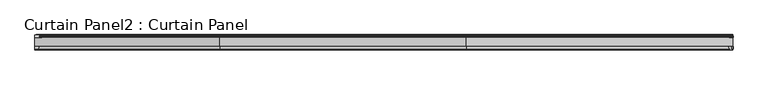
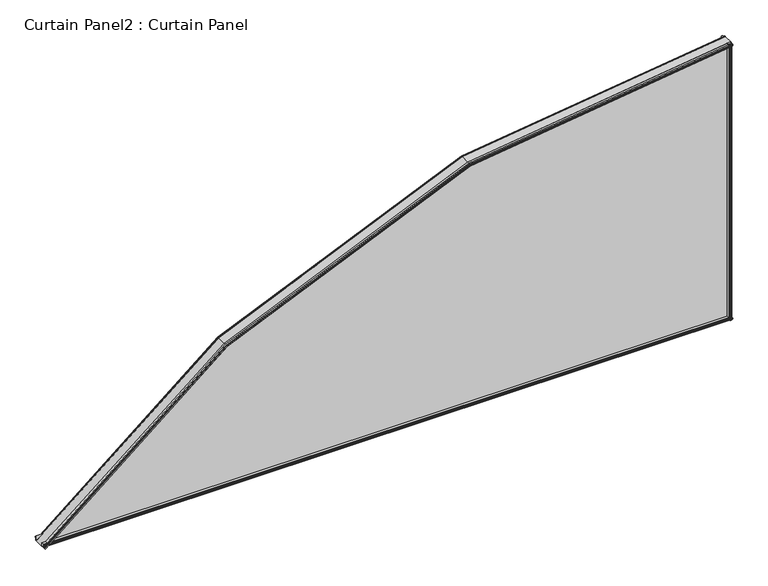
"""IFC4 building model written with IfcOpenShell, lengths in millimetres: plate geometry, Curtain Panel2 : Curtain Panel."""

from ifc_helpers import new_model, si_unit, point, frame, frame_2d, origin, place, context, project, spatial, polyline, circle_curve, ellipse_curve, trimmed, segment, composite_curve, outline, extrude, faceted_brep, source, transform, mapped, element, save
from ifc_brep_helpers import plane_surface, cylinder_surface, advanced_brep


def curtain_panel2_curtain_panel_ba7d519c(model_context):
    return source(origin(), model_context, "Body", "SolidModel", [
        faceted_brep([(-11874.9849482, 12774.844983, -412.5040723), (-11874.9849482, 12775.657783, -412.5040723), (-11873.9975567, 12775.403783, -413.6980984), (-11874.3051049, 12778.121583, -413.3261887), (-11877.0593045, 12778.121583, -409.995609), (-11877.0593045, 12784.852583, -409.995609), (-11869.1909214, 12784.852583, -419.5106334), (-11869.95087, 12778.121583, -418.5916479), (-11872.6864302, 12778.121583, -415.2836085), (-11872.9939784, 12775.403783, -414.9116987), (-11872.0065868, 12775.657783, -416.1057248), (-11872.0065868, 12774.844983, -416.1057248), (-11873.4957675, 12774.438583, -414.3048986), (-9637.9561612, 12774.844983, 536.3371513), (-9637.6475569, 12774.438583, 534.0208185), (-9637.3389525, 12774.844983, 531.7044857), (-9637.3389525, 12775.657783, 531.7044857), (-9637.5435706, 12775.403783, 533.240315), (-9637.4798371, 12778.121583, 532.761942), (-9636.9129444, 12778.121583, 528.5069393), (-9636.7554595, 12784.852583, 527.324884), (-9638.3860321, 12784.852583, 539.5636901), (-9638.3860321, 12778.121583, 539.5636901), (-9637.8152766, 12778.121583, 535.279695), (-9637.7515431, 12775.403783, 534.8013219), (-9637.9561612, 12775.657783, 536.3371513), (-11282.9257922, 12774.844983, 77.0951236), (-11282.9257922, 12775.657783, 77.0951236), (-11282.10621, 12775.403783, 75.7623287), (-11282.3614897, 12778.121583, 76.1774616), (-10491.3975159, 12778.121583, 421.557178), (-10492.5703476, 12778.121583, 425.7609587), (-11284.6476069, 12778.121583, 79.8951187), (-11284.6476069, 12784.852583, 79.8951187), (-10492.5703476, 12784.852583, 425.7609587), (-10489.219723, 12784.852583, 413.7513146), (-11278.1164732, 12784.852583, 69.2742652), (-11278.7472669, 12778.121583, 70.3000545), (-10489.5433349, 12778.121583, 414.9112369), (-10490.7082293, 12778.121583, 419.0865679), (-11281.0179125, 12778.121583, 73.9925519), (-11281.2731921, 12775.403783, 74.4076847), (-11280.45361, 12775.657783, 73.0748898), (-11280.45361, 12774.844983, 73.0748898), (-11281.6897011, 12774.438583, 75.0850067), (-10491.6870163, 12774.844983, 422.5948342), (-10491.6870163, 12775.657783, 422.5948342), (-10491.2665515, 12775.403783, 421.0877621), (-10490.8391938, 12775.403783, 419.5559838), (-10490.4187289, 12775.657783, 418.0489117), (-10490.4187289, 12774.844983, 418.0489117), (-10491.0528726, 12774.438583, 420.321873)], [[[0, 1, 2, 3, 4, 5, 6, 7, 8, 9, 10, 11, 12]], [[13, 14, 15, 16, 17, 18, 19, 20, 21, 22, 23, 24, 25]], [[1, 0, 26, 27]], [[2, 1, 27, 28]], [[3, 2, 28, 29]], [[4, 3, 29, 30, 23, 22, 31, 32]], [[5, 4, 32, 33]], [[6, 5, 33, 34, 21, 20, 35, 36]], [[7, 6, 36, 37]], [[8, 7, 37, 38, 19, 18, 39, 40]], [[9, 8, 40, 41]], [[10, 9, 41, 42]], [[11, 10, 42, 43]], [[12, 11, 43, 44]], [[0, 12, 44, 26]], [[27, 26, 45, 46]], [[28, 27, 46, 47]], [[29, 28, 47, 30]], [[33, 32, 31, 34]], [[37, 36, 35, 38]], [[41, 40, 39, 48]], [[42, 41, 48, 49]], [[43, 42, 49, 50]], [[44, 43, 50, 51]], [[26, 44, 51, 45]], [[46, 45, 13, 25]], [[47, 46, 25, 24]], [[30, 47, 24, 23]], [[34, 31, 22, 21]], [[38, 35, 20, 19]], [[48, 39, 18, 17]], [[49, 48, 17, 16]], [[50, 49, 16, 15]], [[51, 50, 15, 14]], [[45, 51, 14, 13]]]),
        advanced_brep(
        [(-11870.4728926, 12815.002383, -417.96038), (-11876.5591094, 12815.002383, -410.6004816), (-11876.7899772, 12816.7171485, -410.3212993), (-11876.8152382, 12818.0373518, -410.2907518), (-11876.5591094, 12819.752183, -410.6004816), (-11874.3253383, 12819.752183, -413.3017209), (-11874.0177901, 12822.469983, -413.6736307), (-11875.0051817, 12822.215983, -412.4796046), (-11875.0051817, 12823.028783, -412.4796046), (-11873.516001, 12823.435183, -414.2804308), (-11872.0268203, 12823.028783, -416.081257), (-11872.0268203, 12822.215983, -416.081257), (-11873.0142118, 12822.469983, -414.887231), (-11872.7066636, 12819.752183, -415.2591407), (-11870.4728926, 12819.752183, -417.96038), (-11870.2167637, 12818.0373518, -418.2701098), (-11870.2420247, 12816.7171485, -418.2395624), (-9637.0211236, 12815.002383, 529.3189147), (-9636.9732806, 12816.7171485, 528.9598133), (-9636.9680458, 12818.0373518, 528.9205213), (-9637.0211236, 12819.752183, 529.3189147), (-9637.4840301, 12819.752183, 532.7934139), (-9637.5477636, 12822.469983, 533.271787), (-9637.3431455, 12822.215983, 531.7359576), (-9637.3431455, 12823.028783, 531.7359576), (-9637.6517499, 12823.435183, 534.0522904), (-9637.9603542, 12823.028783, 536.3686232), (-9637.9603542, 12822.215983, 536.3686232), (-9637.7557361, 12822.469983, 534.8327938), (-9637.8194696, 12819.752183, 535.3111669), (-9638.2823762, 12819.752183, 538.7856661), (-9638.335454, 12818.0373518, 539.1840594), (-9638.3302191, 12816.7171485, 539.1447675), (-9638.2823762, 12815.002383, 538.7856661), (-11279.1805706, 12815.002383, 71.0046879), (-10489.7656299, 12815.002383, 415.7080086), (-10492.3573476, 12815.002383, 424.9975025), (-11284.2324211, 12815.002383, 79.2199483), (-11284.4240524, 12816.7171485, 79.531577), (-11284.4450203, 12818.0373518, 79.5656746), (-11284.2324211, 12819.752183, 79.2199483), (-10492.3573476, 12819.752183, 424.9975025), (-10491.406132, 12819.752183, 421.5880606), (-11282.3782844, 12819.752183, 76.2047729), (-11282.1230048, 12822.469983, 75.7896401), (-11282.9425869, 12822.215983, 77.122435), (-11282.9425869, 12823.028783, 77.122435), (-11281.7064958, 12823.435183, 75.1123181), (-11280.4704047, 12823.028783, 73.1022012), (-11280.4704047, 12822.215983, 73.1022012), (-11281.2899869, 12822.469983, 74.4349961), (-11281.0347072, 12819.752183, 74.0198633), (-10490.7168454, 12819.752183, 419.1174506), (-10489.7656299, 12819.752183, 415.7080086), (-11279.1805706, 12819.752183, 71.0046879), (-11278.9679714, 12818.0373518, 70.6589616), (-11278.9889392, 12816.7171485, 70.6930592), (-10492.455659, 12816.7171485, 425.34988), (-10492.4664159, 12818.0373518, 425.3884363), (-10491.2751676, 12822.469983, 421.1186447), (-10491.6956324, 12822.215983, 422.6257169), (-10491.6956324, 12823.028783, 422.6257169), (-10491.0614887, 12823.435183, 420.3527556), (-10490.427345, 12823.028783, 418.0797943), (-10490.427345, 12822.215983, 418.0797943), (-10490.8478099, 12822.469983, 419.5868665), (-10489.6565615, 12818.0373518, 415.3170749), (-10489.6673185, 12816.7171485, 415.3556312)],
        [
            (0, 1),
            (1, 2),
            (2, 3, circle_curve(frame((-11876.8019106, 12817.377283, -410.3068686), z_axis=(-0.7706377184790545, 0.0, -0.637273494551121), x_axis=(-0.020181198319110506, 0.9994984420496655, 0.02440458101865708)), 0.6604)),
            (3, 4),
            (4, 5),
            (5, 6),
            (6, 7),
            (7, 8),
            (8, 9),
            (9, 10),
            (10, 11),
            (11, 12),
            (12, 13),
            (13, 14),
            (14, 15),
            (15, 16, circle_curve(frame((-11870.2300914, 12817.377283, -418.253993), z_axis=(-0.7706377184790545, 0.0, -0.637273494551121), x_axis=(-0.01806984096852249, -0.9995979183315228, 0.0218513732899989)), 0.6604)),
            (16, 0),
            (17, 18),
            (18, 19, circle_curve(frame((-9636.9708077, 12817.377283, 528.9412517), z_axis=(0.9912413513303475, 0.0, 0.13206280101825263), x_axis=(-0.003744630574883493, -0.9995979183315228, 0.02810657234783575)), 0.6604)),
            (19, 20),
            (20, 21),
            (21, 22),
            (22, 23),
            (23, 24),
            (24, 25),
            (25, 26),
            (26, 27),
            (27, 28),
            (28, 29),
            (29, 30),
            (30, 31),
            (31, 32, circle_curve(frame((-9638.3326921, 12817.377283, 539.1633291), z_axis=(0.9912413513303476, 0.0, 0.1320628010182526), x_axis=(-0.004182169195350496, 0.9994984420496655, 0.031390664234976516)), 0.6604)),
            (32, 33),
            (33, 17),
            (0, 34),
            (34, 35),
            (35, 17),
            (33, 36),
            (36, 37),
            (37, 1),
            (37, 38),
            (38, 2),
            (38, 39, ellipse_curve(frame((-11284.4339577, 12817.377283, 79.5476848), z_axis=(-0.8518292535740016, 0.0, -0.5238195517118075), x_axis=(0.5238195517118064, 0.0, -0.8518292535740026)), 0.6668901, 0.6604)),
            (39, 3),
            (39, 40),
            (40, 4),
            (40, 41),
            (41, 30),
            (29, 42),
            (42, 43),
            (43, 5),
            (43, 44),
            (44, 6),
            (44, 45),
            (45, 7),
            (45, 46),
            (46, 8),
            (46, 47),
            (47, 9),
            (47, 48),
            (48, 10),
            (48, 49),
            (49, 11),
            (49, 50),
            (50, 12),
            (50, 51),
            (51, 13),
            (51, 52),
            (52, 21),
            (20, 53),
            (53, 54),
            (54, 14),
            (54, 55),
            (55, 15),
            (55, 56, ellipse_curve(frame((-11278.979034, 12817.377283, 70.6769514), z_axis=(-0.8518292535740016, 0.0, -0.5238195517118076), x_axis=(0.5238195517118066, 0.0, -0.8518292535740023)), 0.6668901, 0.6604)),
            (56, 16),
            (56, 34),
            (36, 57),
            (57, 38),
            (57, 58, ellipse_curve(frame((-10492.4607406, 12817.377283, 425.3680941), z_axis=(-0.9632150690995059, 0.0, -0.2687317075814352), x_axis=(0.26873170758143533, 0.0, -0.9632150690995059)), 0.6668901, 0.6604)),
            (58, 39),
            (58, 41),
            (42, 59),
            (59, 44),
            (59, 60),
            (60, 45),
            (60, 61),
            (61, 46),
            (61, 62),
            (62, 47),
            (62, 63),
            (63, 48),
            (63, 64),
            (64, 49),
            (64, 65),
            (65, 50),
            (65, 52),
            (53, 66),
            (66, 55),
            (66, 67, ellipse_curve(frame((-10489.6622369, 12817.377283, 415.3374171), z_axis=(-0.9632150690995058, 0.0, -0.26873170758143533), x_axis=(0.26873170758143455, 0.0, -0.963215069099506)), 0.6668901, 0.6604)),
            (67, 56),
            (67, 35),
            (32, 57),
            (31, 58),
            (28, 59),
            (27, 60),
            (26, 61),
            (25, 62),
            (24, 63),
            (23, 64),
            (22, 65),
            (19, 66),
            (18, 67),
        ],
        [
            plane_surface(frame((-11877.0593045, 12815.002383, -409.995609), z_axis=(-0.7706377184790545, 0.0, -0.637273494551121), x_axis=(0.0, 1.0, 0.0))),
            plane_surface(frame((-9638.3860321, 12815.002383, 539.5636901), z_axis=(0.9912413513303476, 0.0, 0.13206280101825232), x_axis=(0.0, 1.0, 0.0))),
            plane_surface(frame((-11870.4728926, 12815.002383, -417.96038), z_axis=(0.0, -1.0, 0.0), x_axis=(0.7706377184790546, 0.0, 0.6372734945511209))),
            plane_surface(frame((-11876.5591094, 12815.002383, -410.6004816), z_axis=(-0.6235105080124769, -0.2067049284831673, 0.7539945085601035), x_axis=(0.7706377184790555, 0.0, 0.6372734945511199))),
            cylinder_surface(frame((-11876.8019106, 12817.377283, -410.3068686), z_axis=(-0.7706377184790545, 0.0, -0.637273494551121), x_axis=(-0.020181198319110506, 0.9994984420496655, 0.02440458101865708)), 0.6604),
            plane_surface(frame((-11876.8152382, 12818.0373518, -410.2907518), z_axis=(-0.6204598685875237, 0.22819132278924775, 0.7503054522499797), x_axis=(0.7706377184790545, 0.0, 0.637273494551121))),
            plane_surface(frame((-11876.5591094, 12819.752183, -410.6004816), z_axis=(0.0, 1.0000000000000002, 0.0), x_axis=(0.7706377184790555, 0.0, 0.6372734945511199))),
            plane_surface(frame((-11874.3253383, 12819.752183, -413.3017209), z_axis=(-0.627458034261684, 0.17483511041573996, 0.7587681460145648), x_axis=(0.7706377184790545, 0.0, 0.6372734945511211))),
            plane_surface(frame((-11874.0177901, 12822.469983, -413.6736307), z_axis=(0.10309493682965794, -0.986827665105559, -0.12466993776528362), x_axis=(0.7706377184790563, 0.0, 0.6372734945511189))),
            plane_surface(frame((-11875.0051817, 12822.215983, -412.4796046), z_axis=(-0.6372734945511197, 0.0, 0.7706377184790555), x_axis=(0.7706377184790555, 0.0, 0.6372734945511197))),
            plane_surface(frame((-11875.0051817, 12823.028783, -412.4796046), z_axis=(-0.10919118919377249, 0.9852117548197964, 0.1320419719912838), x_axis=(0.7706377184790555, 0.0, 0.6372734945511197))),
            plane_surface(frame((-11873.516001, 12823.435183, -414.2804308), z_axis=(0.10919118919368864, 0.9852117548198208, -0.13204197199117343), x_axis=(0.7706377184790549, 0.0, 0.6372734945511205))),
            plane_surface(frame((-11872.0268203, 12823.028783, -416.081257), z_axis=(0.6372734945511211, 0.0, -0.7706377184790545), x_axis=(0.7706377184790545, 0.0, 0.6372734945511211))),
            plane_surface(frame((-11872.0268203, 12822.215983, -416.081257), z_axis=(-0.10309493682971121, -0.9868276651055465, 0.12466993776533858), x_axis=(0.7706377184790545, 0.0, 0.6372734945511211))),
            plane_surface(frame((-11873.0142118, 12822.469983, -414.887231), z_axis=(0.6274580342617042, 0.17483511041555383, -0.7587681460145907), x_axis=(0.7706377184790557, 0.0, 0.6372734945511196))),
            plane_surface(frame((-11872.7066636, 12819.752183, -415.2591407), z_axis=(0.0, 1.0, 0.0), x_axis=(0.7706377184790538, 0.0, 0.6372734945511217))),
            plane_surface(frame((-11870.4728926, 12819.752183, -417.96038), z_axis=(0.6204598685875438, 0.22819132278911813, -0.7503054522500024), x_axis=(0.7706377184790547, 0.0, 0.6372734945511208))),
            cylinder_surface(frame((-11870.2300914, 12817.377283, -418.253993), z_axis=(-0.7706377184790545, 0.0, -0.637273494551121), x_axis=(-0.01806984096852249, -0.9995979183315228, 0.0218513732899989)), 0.6604),
            plane_surface(frame((-11870.2420247, 12816.7171485, -418.2395624), z_axis=(0.6235105080124884, -0.2067049284830937, -0.7539945085601142), x_axis=(0.7706377184790534, 0.0, 0.6372734945511225))),
            plane_surface(frame((-11284.2324211, 12815.002383, 79.2199483), z_axis=(-0.39152771572738676, -0.20670492848316804, 0.8966488277793393), x_axis=(0.9164409011895451, 0.0, 0.4001700571343318))),
            cylinder_surface(frame((-11284.4859787, 12817.377283, 79.5249694), z_axis=(-0.916440901189545, 0.0, -0.40017005713433224), x_axis=(-0.012672598740491321, 0.9994984420496655, 0.029021881080557404)), 0.6604),
            plane_surface(frame((-11284.4450203, 12818.0373518, 79.5656746), z_axis=(-0.38961209462684104, 0.228191322789247, 0.8922618090696134), x_axis=(0.9164409011895452, 0.0, 0.40017005713433146))),
            plane_surface(frame((-11282.3782844, 12819.752183, 76.2047729), z_axis=(-0.39400652869888286, 0.1748351104157392, 0.9023256283119598), x_axis=(0.9164409011895451, 0.0, 0.400170057134332))),
            plane_surface(frame((-11282.1230048, 12822.469983, 75.7896401), z_axis=(0.06473752182403822, -0.9868276651055589, -0.14825725159462963), x_axis=(0.9164409011895452, 0.0, 0.4001700571343317))),
            plane_surface(frame((-11282.9425869, 12822.215983, 77.122435), z_axis=(-0.40017005713433057, 0.0, 0.9164409011895457), x_axis=(0.9164409011895457, 0.0, 0.40017005713433057))),
            plane_surface(frame((-11282.9425869, 12823.028783, 77.122435), z_axis=(-0.06856560768938773, 0.9852117548197964, 0.1570240605992676), x_axis=(0.916440901189545, 0.0, 0.40017005713433224))),
            plane_surface(frame((-11281.7064958, 12823.435183, 75.1123181), z_axis=(0.06856560768933594, 0.9852117548198208, -0.15702406059913726), x_axis=(0.9164409011895456, 0.0, 0.40017005713433085))),
            plane_surface(frame((-11280.4704047, 12823.028783, 73.1022012), z_axis=(0.4001700571343322, 0.0, -0.916440901189545), x_axis=(0.916440901189545, 0.0, 0.4001700571343322))),
            plane_surface(frame((-11280.4704047, 12822.215983, 73.1022012), z_axis=(-0.06473752182407272, -0.9868276651055466, 0.148257251594696), x_axis=(0.916440901189545, 0.0, 0.4001700571343322))),
            plane_surface(frame((-11281.2899869, 12822.469983, 74.4349961), z_axis=(0.3940065286988972, 0.1748351104155546, -0.9023256283119891), x_axis=(0.9164409011895448, 0.0, 0.40017005713433246))),
            plane_surface(frame((-11279.1805706, 12819.752183, 71.0046879), z_axis=(0.3896120946268546, 0.22819132278911883, -0.8922618090696404), x_axis=(0.9164409011895451, 0.0, 0.400170057134332))),
            cylinder_surface(frame((-11280.359265, 12817.377283, 70.0742643), z_axis=(-0.916440901189545, 0.0, -0.40017005713433235), x_axis=(-0.01134679122011183, -0.9995979183315228, 0.025985611331922096)), 0.6604),
            plane_surface(frame((-11278.9889392, 12816.7171485, 70.6930592), z_axis=(0.3915277157273918, -0.2067049284830928, -0.8966488277793544), x_axis=(0.9164409011895452, 0.0, 0.40017005713433146))),
            plane_surface(frame((-10492.3573476, 12815.002383, 424.9975025), z_axis=(-0.12921068404145902, -0.20670492848316896, 0.969833837144439), x_axis=(0.9912413513303476, 0.0, 0.13206280101825202))),
            cylinder_surface(frame((-10492.5170076, 12817.377283, 425.3605976), z_axis=(-0.9912413513303476, 0.0, -0.1320628010182526), x_axis=(-0.004182169195350496, 0.9994984420496655, 0.031390664234976516)), 0.6604),
            plane_surface(frame((-10492.4664159, 12818.0373518, 425.3884363), z_axis=(-0.12857849709064292, 0.22819132278924628, 0.9650887473645136), x_axis=(0.9912413513303475, 0.0, 0.1320628010182528))),
            plane_surface(frame((-10491.406132, 12819.752183, 421.5880606), z_axis=(-0.13002873371404175, 0.17483511041573843, 0.9759739815049577), x_axis=(0.9912413513303475, 0.0, 0.13206280101825274))),
            plane_surface(frame((-10491.2751676, 12822.469983, 421.1186447), z_axis=(0.021364463209180465, -0.9868276651055587, -0.16035809644073157), x_axis=(0.9912413513303476, 0.0, 0.13206280101825216))),
            plane_surface(frame((-10491.6956324, 12822.215983, 422.6257169), z_axis=(-0.13206280101825274, 0.0, 0.9912413513303475), x_axis=(0.9912413513303475, 0.0, 0.13206280101825274))),
            plane_surface(frame((-10491.6956324, 12823.028783, 422.6257169), z_axis=(-0.022627795467312795, 0.9852117548197963, 0.16984045759826252), x_axis=(0.9912413513303475, 0.0, 0.13206280101825268))),
            plane_surface(frame((-10491.0614887, 12823.435183, 420.3527556), z_axis=(0.022627795467298976, 0.9852117548198209, -0.16984045759812127), x_axis=(0.9912413513303475, 0.0, 0.13206280101825268))),
            plane_surface(frame((-10490.427345, 12823.028783, 418.0797943), z_axis=(0.132062801018252, 0.0, -0.9912413513303476), x_axis=(0.9912413513303476, 0.0, 0.132062801018252))),
            plane_surface(frame((-10490.427345, 12822.215983, 418.0797943), z_axis=(-0.021364463209195, -0.9868276651055468, 0.16035809644080323), x_axis=(0.9912413513303476, 0.0, 0.132062801018252))),
            plane_surface(frame((-10490.8478099, 12822.469983, 419.5868665), z_axis=(0.13002873371404677, 0.1748351104155555, -0.9759739815049898), x_axis=(0.9912413513303475, 0.0, 0.13206280101825257))),
            plane_surface(frame((-10489.7656299, 12819.752183, 415.7080086), z_axis=(0.12857849709064764, 0.2281913227891197, -0.9650887473645426), x_axis=(0.9912413513303475, 0.0, 0.1320628010182525))),
            cylinder_surface(frame((-10491.1551232, 12817.377283, 415.1385203), z_axis=(-0.9912413513303475, 0.0, -0.13206280101825263), x_axis=(-0.003744630574883493, -0.9995979183315228, 0.02810657234783575)), 0.6604),
            plane_surface(frame((-10489.6673185, 12816.7171485, 415.3556312), z_axis=(0.12921068404146083, -0.20670492848309208, -0.9698338371444553), x_axis=(0.9912413513303475, 0.0, 0.13206280101825274))),
        ],
        [
            (0, [[1, 2, 3, 4, 5, 6, 7, 8, 9, 10, 11, 12, 13, 14, 15, 16, 17]]),
            (1, [[18, 19, 20, 21, 22, 23, 24, 25, 26, 27, 28, 29, 30, 31, 32, 33, 34]]),
            (2, [[-1, 35, 36, 37, -34, 38, 39, 40]]),
            (3, [[-2, -40, 41, 42]]),
            (4, [[-3, -42, 43, 44]]),
            (5, [[-4, -44, 45, 46]]),
            (6, [[-5, -46, 47, 48, -30, 49, 50, 51]]),
            (7, [[-6, -51, 52, 53]]),
            (8, [[-7, -53, 54, 55]]),
            (9, [[-8, -55, 56, 57]]),
            (10, [[-9, -57, 58, 59]]),
            (11, [[-10, -59, 60, 61]]),
            (12, [[-11, -61, 62, 63]]),
            (13, [[-12, -63, 64, 65]]),
            (14, [[-13, -65, 66, 67]]),
            (15, [[-14, -67, 68, 69, -21, 70, 71, 72]]),
            (16, [[-15, -72, 73, 74]]),
            (17, [[-16, -74, 75, 76]]),
            (18, [[-17, -76, 77, -35]]),
            (19, [[-41, -39, 78, 79]]),
            (20, [[-43, -79, 80, 81]]),
            (21, [[-45, -81, 82, -47]]),
            (22, [[-52, -50, 83, 84]]),
            (23, [[-54, -84, 85, 86]]),
            (24, [[-56, -86, 87, 88]]),
            (25, [[-58, -88, 89, 90]]),
            (26, [[-60, -90, 91, 92]]),
            (27, [[-62, -92, 93, 94]]),
            (28, [[-64, -94, 95, 96]]),
            (29, [[-66, -96, 97, -68]]),
            (30, [[-73, -71, 98, 99]]),
            (31, [[-75, -99, 100, 101]]),
            (32, [[-77, -101, 102, -36]]),
            (33, [[-78, -38, -33, 103]]),
            (34, [[-80, -103, -32, 104]]),
            (35, [[-82, -104, -31, -48]]),
            (36, [[-83, -49, -29, 105]]),
            (37, [[-85, -105, -28, 106]]),
            (38, [[-87, -106, -27, 107]]),
            (39, [[-89, -107, -26, 108]]),
            (40, [[-91, -108, -25, 109]]),
            (41, [[-93, -109, -24, 110]]),
            (42, [[-95, -110, -23, 111]]),
            (43, [[-97, -111, -22, -69]]),
            (44, [[-98, -70, -20, 112]]),
            (45, [[-100, -112, -19, 113]]),
            (46, [[-102, -113, -18, -37]]),
        ],
    ),
        extrude(outline(polyline([(12784.877983, -398.478009), (12784.877983, -409.995609), (12778.146983, -409.995609), (12778.146983, -406.503109), (12775.429183, -406.020509), (12775.683183, -407.569909), (12774.870383, -407.569909), (12774.463983, -405.233109), (12774.870383, -402.896309), (12775.683183, -402.896309), (12775.429183, -404.445709), (12778.146983, -403.963109), (12778.146983, -399.670509), (12784.877983, -398.478009)])), frame((-11877.0593045, 0.0, 0.0), z_axis=(1.0, 0.0, 0.0), x_axis=(0.0, 1.0, 0.0)), (0.0, 0.0, 1.0), 2238.6732724),
        extrude(outline(composite_curve([segment(trimmed(circle_curve(frame_2d((12826.5954773, -385.5547046)), 13.8172734), [point((12815.002383, -393.0724974))], [point((12822.952583, -398.883109))], True, "CARTESIAN"), True, "CONTINUOUS"), segment(polyline([(12822.952583, -398.883109), (12820.564983, -398.883109)]), True, "CONTINUOUS"), segment(trimmed(circle_curve(frame_2d((12820.564983, -399.670509)), 0.7874), [point((12820.564983, -398.883109))], [point((12819.777583, -399.670509))], True, "CARTESIAN"), True, "CONTINUOUS"), segment(polyline([(12819.777583, -399.670509), (12819.777583, -400.457909), (12821.352383, -400.457909), (12819.777583, -406.3003923), (12819.777583, -407.091305)]), True, "CONTINUOUS"), segment(trimmed(circle_curve(frame_2d((12817.389983, -407.091305)), 2.3876), [point((12819.777583, -407.091305))], [point((12815.002383, -407.091305))], False, "CARTESIAN"), True, "CONTINUOUS"), segment(polyline([(12815.002383, -407.091305), (12815.002383, -393.0724974)]), True, "CONTINUOUS")], self_intersect=False)), frame((-11877.0593045, 0.0, 0.0), z_axis=(1.0, 0.0, 0.0), x_axis=(0.0, 1.0, 0.0)), (0.0, 0.0, 1.0), 2238.6732724),
        extrude(outline(polyline([(-9641.6372321, 12774.844983), (-9643.9740321, 12774.438583), (-9646.3108321, 12774.844983), (-9646.3108321, 12775.657783), (-9644.7614321, 12775.403783), (-9645.2440321, 12778.121583), (-9649.5366321, 12778.121583), (-9650.7291321, 12784.852583), (-9638.3821834, 12784.852583), (-9638.4114321, 12778.121583), (-9642.7040321, 12778.121583), (-9643.1866321, 12775.403783), (-9641.6372321, 12775.657783), (-9641.6372321, 12774.844983)])), frame((0.0, 0.0, -409.995609), z_axis=(0.0, 0.0, 1.0), x_axis=(1.0, 0.0, 0.0)), (0.0, 0.0, 1.0), 949.5592992),
        extrude(outline(composite_curve([segment(polyline([(-9649.5112321, 12815.002383), (-9649.8735065, 12816.7171485)]), True, "CONTINUOUS"), segment(trimmed(circle_curve(frame_2d((-9649.8922321, 12817.377283)), 0.6604), [point((-9649.8735065, 12816.7171485))], [point((-9649.9131457, 12818.0373518))], False, "CARTESIAN"), True, "CONTINUOUS"), segment(polyline([(-9649.9131457, 12818.0373518), (-9649.5112321, 12819.752183), (-9646.0060321, 12819.752183), (-9645.5234321, 12822.469983), (-9647.0728321, 12822.215983), (-9647.0728321, 12823.028783), (-9644.7360321, 12823.435183), (-9642.3992321, 12823.028783), (-9642.3992321, 12822.215983), (-9643.9486321, 12822.469983), (-9643.4660321, 12819.752183), (-9639.9608321, 12819.752183), (-9639.5589185, 12818.0373518)]), True, "CONTINUOUS"), segment(trimmed(circle_curve(frame_2d((-9639.5798321, 12817.377283)), 0.6604), [point((-9639.5589185, 12818.0373518))], [point((-9639.5985577, 12816.7171485))], False, "CARTESIAN"), True, "CONTINUOUS"), segment(polyline([(-9639.5985577, 12816.7171485), (-9639.9608321, 12815.002383), (-9649.5112321, 12815.002383)]), True, "CONTINUOUS")], self_intersect=False)), frame((0.0, 0.0, -409.995609), z_axis=(0.0, 0.0, 1.0), x_axis=(1.0, 0.0, 0.0)), (0.0, 0.0, 1.0), 949.5592992),
        extrude(outline(polyline([(-409.995609, -9638.3860321), (539.5636901, -9638.3860321), (425.7609587, -10492.5703476), (79.8951187, -11284.6476069), (-409.995609, -11877.0593045), (-409.995609, -9638.3860321)])), frame((0.0, 12784.839883, 0.0), z_axis=(0.0, 1.0, 0.0), x_axis=(0.0, 0.0, 1.0)), (0.0, 0.0, 1.0), 30.1625),
    ])


if __name__ == "__main__":
    model = new_model("IFC4")
    model_context = context("Model", 3, world=origin())
    ifc_project = project(units=[si_unit("LENGTHUNIT", "METRE", prefix="MILLI")], contexts=[model_context])
    site = spatial("IfcSite", under=ifc_project)
    building = spatial("IfcBuilding", under=site)
    placement = place(None, origin())
    curtain_panel2_curtain_panel_shape = curtain_panel2_curtain_panel_ba7d519c(model_context)
    element("IfcPlate", 1, ObjectType="Curtain Panel2 : Curtain Panel", at=placement, inside=building, context=model_context, shape_type="MappedRepresentation", body=[
        mapped(curtain_panel2_curtain_panel_shape, transform((0.0, 0.0, 0.0), x_axis=(1.0, 0.0, 0.0), y_axis=(0.0, 1.0, 0.0), z_axis=(0.0, 0.0, 1.0))),
    ])
    save(model, "model.ifc")
